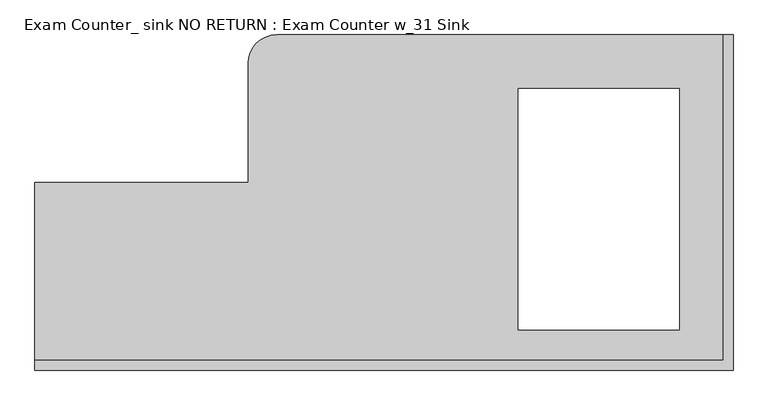
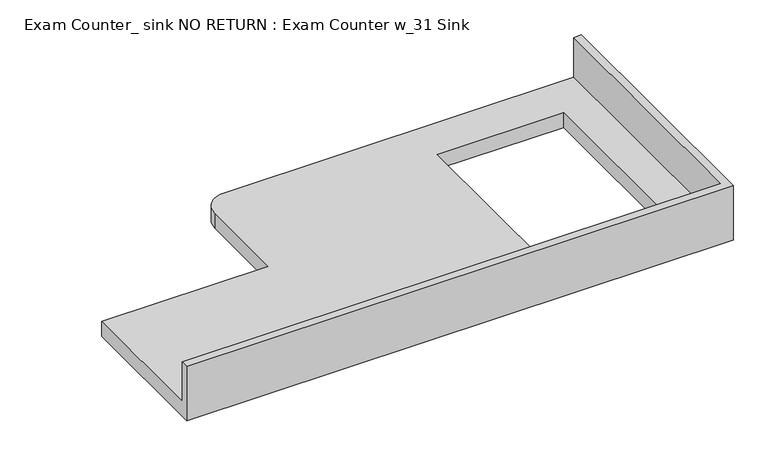
"""IFC4 building model written with IfcOpenShell, lengths in millimetres: furniture geometry, Exam Counter_ sink NO RETURN : Exam Counter w_31 Sink."""

from ifc_helpers import new_model, si_unit, frame, origin, place, context, project, spatial, circle_curve, source, transform, mapped, element, save
from ifc_brep_helpers import plane_surface, cylinder_surface, advanced_brep


def exam_counter_sink_no_return_exam_counter_w_31_sink_0d063468(model_context):
    return source(origin(), model_context, "Body", "AdvancedBrep", [
        advanced_brep(
        [(-863.6, 635.0, 863.6), (-917.575, 581.025, 863.6), (-917.575, 355.6, 863.6), (-1320.8, 355.6, 863.6), (-1320.8, 19.05, 863.6), (-19.05, 19.05, 863.6), (-19.05, 635.0, 863.6), (-101.6, 533.4, 863.6), (-101.6, 76.2, 863.6), (-406.8711067, 76.2, 863.6), (-406.8711067, 533.4, 863.6), (-1320.8, 0.0, 825.5), (-1320.8, 355.6, 825.5), (-917.575, 355.6, 825.5), (-917.575, 581.025, 825.5), (-863.6, 635.0, 825.5), (0.0, 635.0, 825.5), (0.0, 0.0, 825.5), (-101.6, 533.4, 825.5), (-406.8711067, 533.4, 825.5), (-406.8711067, 76.2, 825.5), (-101.6, 76.2, 825.5), (-1320.8, 0.0, 965.2), (-1320.8, 19.05, 965.2), (0.0, 0.0, 965.2), (0.0, 635.0, 965.2), (-19.05, 635.0, 965.2), (-19.05, 19.05, 965.2)],
        [
            (0, 1, circle_curve(frame((-863.6, 581.025, 863.6), z_axis=(0.0, 0.0, 1.0), x_axis=(-1.0, 0.0, 0.0)), 53.975)),
            (1, 2),
            (2, 3),
            (3, 4),
            (4, 5),
            (5, 6),
            (6, 0),
            (7, 8),
            (8, 9),
            (9, 10),
            (10, 7),
            (11, 12),
            (12, 13),
            (13, 14),
            (14, 15, circle_curve(frame((-863.6, 581.025, 825.5), z_axis=(0.0, 0.0, -1.0), x_axis=(-1.0, 0.0, 0.0)), 53.975)),
            (15, 16),
            (16, 17),
            (17, 11),
            (18, 19),
            (19, 20),
            (20, 21),
            (21, 18),
            (11, 22),
            (22, 23),
            (23, 4),
            (3, 12),
            (17, 24),
            (24, 22),
            (16, 25),
            (25, 24),
            (7, 18),
            (21, 8),
            (20, 9),
            (19, 10),
            (15, 0),
            (6, 26),
            (26, 25),
            (2, 13),
            (14, 1),
            (27, 23),
            (26, 27),
            (27, 5),
        ],
        [
            plane_surface(frame((-1320.8, 0.0, 863.6), z_axis=(0.0, 0.0, 1.0), x_axis=(1.0, 0.0, 0.0))),
            plane_surface(frame((-1320.8, 0.0, 825.5), z_axis=(0.0, 0.0, -1.0), x_axis=(-1.0, 0.0, 0.0))),
            plane_surface(frame((-1320.8, 355.6, 863.6), z_axis=(-1.0, 0.0, 0.0), x_axis=(0.0, 0.0, -1.0))),
            plane_surface(frame((-1320.8, 0.0, 863.6), z_axis=(0.0, -1.0, 0.0), x_axis=(0.0, 0.0, -1.0))),
            plane_surface(frame((0.0, 0.0, 863.6), z_axis=(1.0, 0.0, 0.0), x_axis=(0.0, 0.0, -1.0))),
            plane_surface(frame((-101.6, 533.4, 863.6), z_axis=(-1.0, 0.0, 0.0), x_axis=(0.0, 0.0, -1.0))),
            plane_surface(frame((-101.6, 76.2, 863.6), z_axis=(0.0, 1.0, 0.0), x_axis=(0.0, 0.0, -1.0))),
            plane_surface(frame((-406.8711067, 76.2, 863.6), z_axis=(1.0, 0.0, 0.0), x_axis=(0.0, 0.0, -1.0))),
            plane_surface(frame((-406.8711067, 533.4, 863.6), z_axis=(0.0, -1.0, 0.0), x_axis=(0.0, 0.0, -1.0))),
            plane_surface(frame((0.0, 635.0, 863.6), z_axis=(0.0, 1.0, 0.0), x_axis=(0.0, 0.0, -1.0))),
            plane_surface(frame((-917.575, 355.6, 863.6), z_axis=(0.0, 1.0, 0.0), x_axis=(0.0, 0.0, -1.0))),
            cylinder_surface(frame((-863.6, 581.025, 825.5), z_axis=(0.0, 0.0, 1.0), x_axis=(-1.0, 0.0, 0.0)), 53.975),
            plane_surface(frame((-917.575, 581.025, 863.6), z_axis=(-1.0, 0.0, 0.0), x_axis=(0.0, 0.0, -1.0))),
            plane_surface(frame((-1320.8, 19.05, 965.2), z_axis=(0.0, 0.0, 1.0), x_axis=(-1.0, 0.0, 0.0))),
            plane_surface(frame((-19.05, 19.05, 965.2), z_axis=(0.0, 1.0, 0.0), x_axis=(0.0, 0.0, -1.0))),
            plane_surface(frame((-19.05, 635.0, 965.2), z_axis=(-1.0, 0.0, 0.0), x_axis=(0.0, 0.0, -1.0))),
        ],
        [
            (0, [[1, 2, 3, 4, 5, 6, 7], [8, 9, 10, 11]]),
            (1, [[12, 13, 14, 15, 16, 17, 18], [19, 20, 21, 22]]),
            (2, [[-12, 23, 24, 25, -4, 26]]),
            (3, [[-23, -18, 27, 28]]),
            (4, [[-27, -17, 29, 30]]),
            (5, [[-8, 31, -22, 32]]),
            (6, [[-9, -32, -21, 33]]),
            (7, [[-10, -33, -20, 34]]),
            (8, [[-11, -34, -19, -31]]),
            (9, [[-29, -16, 35, -7, 36, 37]]),
            (10, [[-3, 38, -13, -26]]),
            (11, [[-1, -35, -15, 39]]),
            (12, [[-2, -39, -14, -38]]),
            (13, [[40, -24, -28, -30, -37, 41]]),
            (14, [[-40, 42, -5, -25]]),
            (15, [[-41, -36, -6, -42]]),
        ],
    ),
    ])


if __name__ == "__main__":
    model = new_model("IFC4")
    model_context = context("Model", 3, world=origin())
    ifc_project = project(units=[si_unit("LENGTHUNIT", "METRE", prefix="MILLI")], contexts=[model_context])
    site = spatial("IfcSite", under=ifc_project)
    building = spatial("IfcBuilding", under=site)
    placement = place(None, origin())
    exam_counter_sink_no_return_exam_counter_w_31_sink_shape = exam_counter_sink_no_return_exam_counter_w_31_sink_0d063468(model_context)
    element("IfcFurniture", 1, ObjectType="Exam Counter_ sink NO RETURN : Exam Counter w_31 Sink", at=placement, inside=building, context=model_context, shape_type="MappedRepresentation", body=[
        mapped(exam_counter_sink_no_return_exam_counter_w_31_sink_shape, transform((0.0, 0.0, 0.0), x_axis=(1.0, 0.0, 0.0), y_axis=(0.0, 1.0, 0.0), z_axis=(0.0, 0.0, 1.0))),
    ])
    save(model, "model.ifc")
